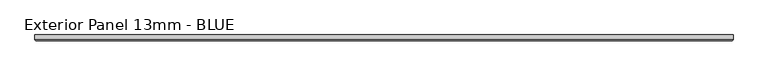
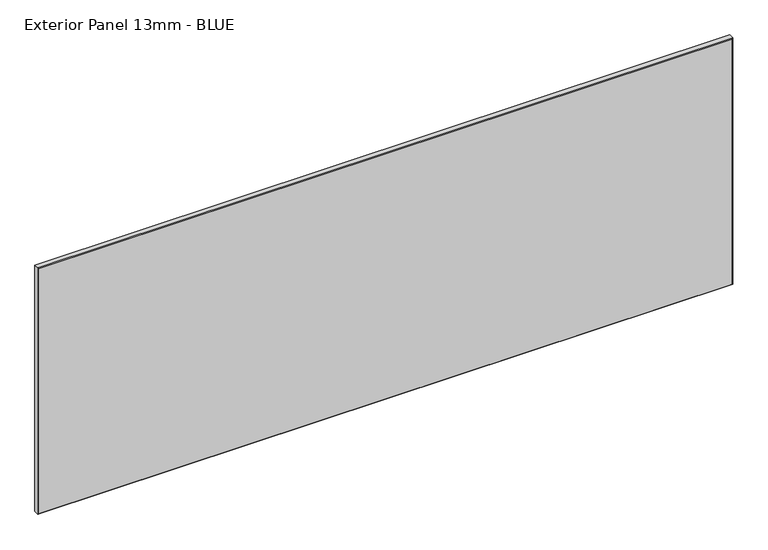
"""IFC4 building model written with IfcOpenShell, lengths in millimetres: proxy geometry, Exterior Panel 13mm - BLUE."""

from ifc_helpers import new_model, si_unit, origin, place, context, project, spatial, faceted_brep, source, transform, mapped, element, save


def exterior_panel_13mm_blue_97be7f6e(model_context):
    return source(origin(), model_context, "Body", "Brep", [
        faceted_brep([(1117.6, 6.35, 571.5), (-406.4, 6.35, 571.5), (-406.4, -4.7625, 571.5), (1117.6, -4.7625, 571.5), (1117.6, 6.35, 0.0), (1117.6, -4.7625, 0.0), (-406.4, -4.7625, 0.0), (-406.4, 6.35, 0.0), (-404.8125, -6.35, 569.9125), (-404.8125, -6.35, 1.5875), (1116.0125, -6.35, 1.5875), (1116.0125, -6.35, 569.9125)], [[[0, 1, 2, 3]], [[4, 5, 6, 7]], [[1, 0, 4, 7]], [[2, 1, 7, 6]], [[8, 9, 10, 11]], [[0, 3, 5, 4]], [[2, 6, 9, 8]], [[5, 3, 11, 10]], [[3, 2, 8, 11]], [[6, 5, 10, 9]]]),
    ])


if __name__ == "__main__":
    model = new_model("IFC4")
    model_context = context("Model", 3, world=origin())
    ifc_project = project(units=[si_unit("LENGTHUNIT", "METRE", prefix="MILLI")], contexts=[model_context])
    site = spatial("IfcSite", under=ifc_project)
    building = spatial("IfcBuilding", under=site)
    placement = place(None, origin())
    exterior_panel_13mm_blue_shape = exterior_panel_13mm_blue_97be7f6e(model_context)
    element("IfcBuildingElementProxy", 1, Name="Exterior Panel 13mm - BLUE", ObjectType="Exterior Panel 13mm - BLUE", at=placement, inside=building, context=model_context, shape_type="MappedRepresentation", body=[
        mapped(exterior_panel_13mm_blue_shape, transform((0.0, 0.0, 0.0), x_axis=(1.0, 0.0, 0.0), y_axis=(0.0, 1.0, 0.0), z_axis=(0.0, 0.0, 1.0))),
    ])
    save(model, "model.ifc")
